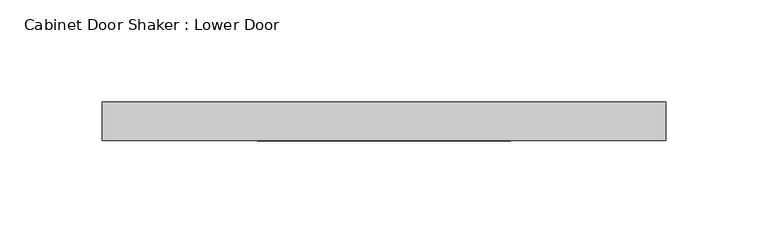
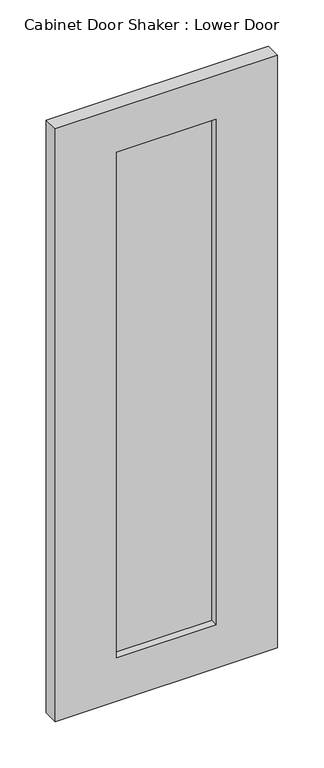
"""IFC4 building model written with IfcOpenShell, lengths in millimetres: proxy geometry, Cabinet Door Shaker : Lower Door."""

from ifc_helpers import new_model, si_unit, frame, origin, place, context, project, spatial, polyline, outline, extrude, source, transform, mapped, element, save


def cabinet_door_shaker_lower_door_c19b5724(model_context):
    return source(origin(), model_context, "Body", "SweptSolid", [
        extrude(outline(polyline([(61.9125, -9.525), (-61.9125, -9.525), (-61.9125, 0.0), (61.9125, 0.0), (61.9125, -9.525)])), frame((0.0, 0.0, 58.7375), z_axis=(0.0, 0.0, 1.0), x_axis=(1.0, 0.0, 0.0)), (0.0, 0.0, 1.0), 663.575),
        extrude(outline(polyline([(779.4625, 138.1125), (779.4625, -138.1125), (1.5875, -138.1125), (1.5875, 138.1125), (779.4625, 138.1125)]), holes=[polyline([(58.7375, 61.9125), (58.7375, -61.9125), (722.3125, -61.9125), (722.3125, 61.9125), (58.7375, 61.9125)])]), frame((0.0, -19.05, 0.0), z_axis=(0.0, 1.0, 0.0), x_axis=(0.0, 0.0, 1.0)), (0.0, 0.0, 1.0), 19.05),
    ])


if __name__ == "__main__":
    model = new_model("IFC4")
    model_context = context("Model", 3, world=origin())
    ifc_project = project(units=[si_unit("LENGTHUNIT", "METRE", prefix="MILLI")], contexts=[model_context])
    site = spatial("IfcSite", under=ifc_project)
    building = spatial("IfcBuilding", under=site)
    placement = place(None, origin())
    cabinet_door_shaker_lower_door_shape = cabinet_door_shaker_lower_door_c19b5724(model_context)
    element("IfcBuildingElementProxy", 1, Name="Cabinet Door Shaker : Lower Door", ObjectType="Cabinet Door Shaker : Lower Door", at=placement, inside=building, context=model_context, shape_type="MappedRepresentation", body=[
        mapped(cabinet_door_shaker_lower_door_shape, transform((0.0, 0.0, 0.0), x_axis=(1.0, 0.0, 0.0), y_axis=(0.0, 1.0, 0.0), z_axis=(0.0, 0.0, 1.0))),
    ])
    save(model, "model.ifc")
